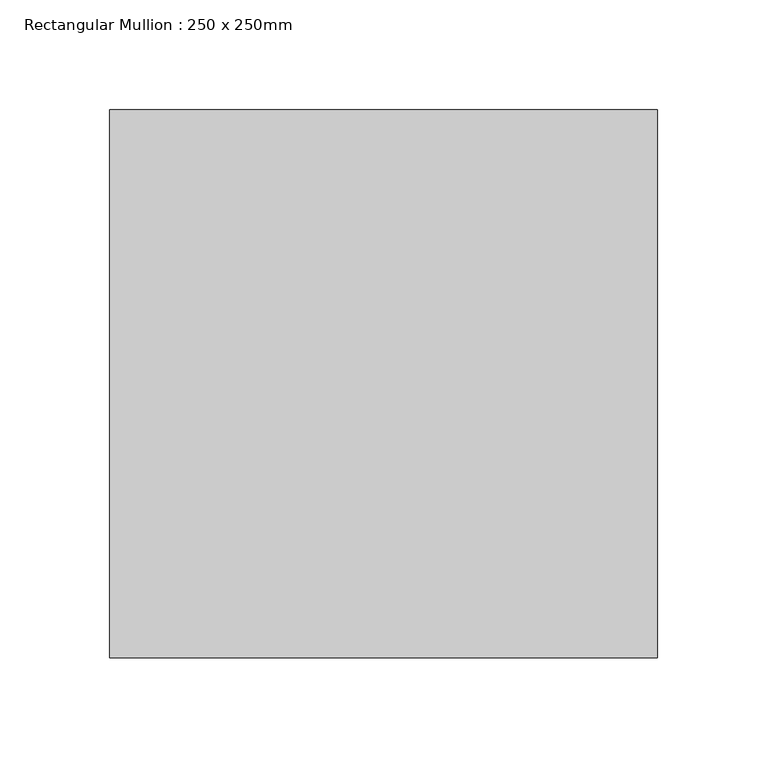
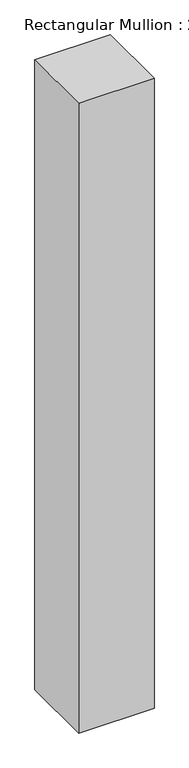
"""IFC4 building model written with IfcOpenShell, lengths in millimetres: member geometry, Rectangular Mullion : 250 x 250mm."""

import ifcopenshell
import ifcopenshell.guid

model = None  # the IFC model being written
_history = None  # IfcOwnerHistory: only IFC2X3 demands one
_inside = {}  # id of a spatial element -> (the spatial element, [elements in it])
_under = {}  # id of a project, library or spatial element -> (it, [spatial elements below it])
_declared = {}  # id of a project -> (the project, [libraries it declares])
_typed = {}  # id of a type object -> (the type object, [elements of that type])
_made_of = {}  # id of a material, layer set ... -> (it, [elements and type objects made of it])


def new_model(schema):
    """Start an empty IFC model of exactly this schema.

    Asked for "IFC4X3", IfcOpenShell would pick the latest addendum, in which some entities
    have other attributes; the version numbers below select the first issue.
    IFC2X3 requires an IfcOwnerHistory on every rooted entity: one is made here for all.
    """
    global model, _history
    if schema == "IFC4X3":
        model = ifcopenshell.file(schema_version=(4, 3, 0, 0))
    else:
        model = ifcopenshell.file(schema=schema)
    _inside.clear()
    _under.clear()
    _declared.clear()
    _typed.clear()
    _made_of.clear()
    _history = None
    if model.schema == "IFC2X3":
        org = make("IfcOrganization", Name="unknown")
        user = make(
            "IfcPersonAndOrganization",
            ThePerson=make("IfcPerson", FamilyName="unknown"),
            TheOrganization=org,
        )
        app = make(
            "IfcApplication",
            ApplicationDeveloper=org,
            Version="unknown",
            ApplicationFullName="unknown",
            ApplicationIdentifier="unknown",
        )
        _history = make(
            "IfcOwnerHistory",
            OwningUser=user,
            OwningApplication=app,
            ChangeAction="ADDED",
            CreationDate=0,
        )
    return model


def make(cls, **values):
    """One entity of the class cls with the attributes given. An attribute that is None is left unset."""
    return model.create_entity(
        cls, **{name: value for name, value in values.items() if value is not None}
    )


def rooted(cls, **values):
    """An entity with a GlobalId (a new one), such as an element, a storey or a relation."""
    return make(cls, GlobalId=ifcopenshell.guid.new(), OwnerHistory=_history, **values)


def si_unit(unit_type, name, prefix=None):
    """IfcSIUnit, for example si_unit("LENGTHUNIT", "METRE", prefix="MILLI")."""
    return make("IfcSIUnit", UnitType=unit_type, Prefix=prefix, Name=name)


def assignment(units):
    """IfcUnitAssignment: the units of a project."""
    return None if units is None else make("IfcUnitAssignment", Units=units)


def point(xyz):
    """IfcCartesianPoint."""
    return None if xyz is None else make("IfcCartesianPoint", Coordinates=xyz)


def direction(xyz):
    """IfcDirection."""
    return None if xyz is None else make("IfcDirection", DirectionRatios=xyz)


def frame(location, z_axis=None, x_axis=None):
    """IfcAxis2Placement3D, a coordinate frame: its origin and axes. An axis left out is left unset."""
    return make(
        "IfcAxis2Placement3D",
        Location=point(location),
        Axis=direction(z_axis),
        RefDirection=direction(x_axis),
    )


def origin():
    """The frame at (0, 0, 0) with its axes left unset."""
    return frame((0.0, 0.0, 0.0))


def place(relative_to, where):
    """IfcLocalPlacement: puts the frame where relative to a parent placement (None: the world)."""
    return make(
        "IfcLocalPlacement", PlacementRelTo=relative_to, RelativePlacement=where
    )


def context(
    kind, dimensions, precision=None, world=None, true_north=None, identifier=None
):
    """IfcGeometricRepresentationContext, for example the 3D "Model" context."""
    return make(
        "IfcGeometricRepresentationContext",
        ContextIdentifier=identifier,
        ContextType=kind,
        CoordinateSpaceDimension=dimensions,
        Precision=precision,
        WorldCoordinateSystem=world,
        TrueNorth=true_north,
    )


def project(units=None, contexts=None):
    """IfcProject with its units and contexts."""
    return rooted(
        "IfcProject",
        Name="project",
        RepresentationContexts=contexts,
        UnitsInContext=assignment(units),
    )


def spatial(cls, under=None, at=None, **own):
    """A site, building, storey or space (cls), placed at a placement, below another one or the project."""
    s = rooted(cls, ObjectPlacement=at, **own)
    if under is not None:
        _under.setdefault(under.id(), (under, []))[1].append(s)
    return s


def polyline(points):
    """IfcPolyline through the points."""
    return make("IfcPolyline", Points=[point(p) for p in points])


def outline(outer, holes=None, kind="AREA"):
    """IfcArbitraryClosedProfileDef: a profile drawn as a closed curve; with holes, ...WithVoids."""
    if holes is None:
        return make("IfcArbitraryClosedProfileDef", ProfileType=kind, OuterCurve=outer)
    return make(
        "IfcArbitraryProfileDefWithVoids",
        ProfileType=kind,
        OuterCurve=outer,
        InnerCurves=holes,
    )


def extrude(swept, where, along, depth):
    """IfcExtrudedAreaSolid: the profile swept, set in the frame where, extruded along a direction by depth."""
    return make(
        "IfcExtrudedAreaSolid",
        SweptArea=swept,
        Position=where,
        ExtrudedDirection=direction(along),
        Depth=depth,
    )


def shape(context_of_items, identifier, shape_type, items):
    """IfcShapeRepresentation: the items that make up one representation, for example the "Body"."""
    return make(
        "IfcShapeRepresentation",
        ContextOfItems=context_of_items,
        RepresentationIdentifier=identifier,
        RepresentationType=shape_type,
        Items=items,
    )


def source(mapping_origin, context_of_items, identifier, shape_type, items):
    """IfcRepresentationMap: a shape defined once, which mapped items show again and again."""
    return make(
        "IfcRepresentationMap",
        MappingOrigin=mapping_origin,
        MappedRepresentation=shape(context_of_items, identifier, shape_type, items),
    )


def transform(
    local_origin,
    x_axis=None,
    y_axis=None,
    z_axis=None,
    scale=None,
    scale2=None,
    scale3=None,
    uniform=True,
):
    """IfcCartesianTransformationOperator3D, or its non-uniform kind. x_axis, y_axis, z_axis: its Axis1, 2, 3."""
    if uniform:
        return make(
            "IfcCartesianTransformationOperator3D",
            Axis1=direction(x_axis),
            Axis2=direction(y_axis),
            LocalOrigin=point(local_origin),
            Scale=scale,
            Axis3=direction(z_axis),
        )
    return make(
        "IfcCartesianTransformationOperator3DnonUniform",
        Axis1=direction(x_axis),
        Axis2=direction(y_axis),
        LocalOrigin=point(local_origin),
        Scale=scale,
        Axis3=direction(z_axis),
        Scale2=scale2,
        Scale3=scale3,
    )


def mapped(mapping_source, mapping_target):
    """IfcMappedItem: shows the shape of a source again, moved by a transform."""
    return make(
        "IfcMappedItem", MappingSource=mapping_source, MappingTarget=mapping_target
    )


def made_of(thing, what):
    """Note that an element or type object is made of a material, layer set ...; save() writes the relation."""
    if what is not None:
        _made_of.setdefault(what.id(), (what, []))[1].append(thing)
    return thing


def element(
    cls,
    number,
    at=None,
    inside=None,
    cuts=None,
    type_object=None,
    material=None,
    context=None,
    identifier="Body",
    shape_type=None,
    held_by="IfcProductDefinitionShape",
    body=None,
    shapes=None,
    **own,
):
    """One element of the class cls, such as IfcWall. Its Tag is "e" and its number.

    at: its placement. inside: the storey or other place that contains it. cuts: it is an
    opening in that element (IfcRelVoidsElement). A single representation is given by context,
    identifier, shape_type and body (its items); several are given by shapes. held_by: the class
    of the entity that holds the representations. save() writes the other relations.
    """
    e = rooted(cls, Tag="e%d" % number, ObjectPlacement=at, **own)
    if body is not None:
        shapes = [shape(context, identifier, shape_type, body)]
    if shapes is not None:
        e.Representation = make(held_by, Representations=shapes)
    if inside is not None:
        _inside.setdefault(inside.id(), (inside, []))[1].append(e)
    if cuts is not None:
        rooted(
            "IfcRelVoidsElement", RelatingBuildingElement=cuts, RelatedOpeningElement=e
        )
    if type_object is not None:
        _typed.setdefault(type_object.id(), (type_object, []))[1].append(e)
    return made_of(e, material)


def aggregate(whole, parts):
    """IfcRelAggregates: a whole, such as a stair, and the parts it consists of."""
    return rooted("IfcRelAggregates", RelatingObject=whole, RelatedObjects=parts)


def save(model, path):
    """Write the relations noted so far, then the file.

    IfcRelAggregates (storeys below a building ...), IfcRelContainedInSpatialStructure (elements
    in a storey), IfcRelDefinesByType, IfcRelAssociatesMaterial and IfcRelDeclares: one each for
    every whole, place, type object, material and project.
    """
    for whole, parts in _under.values():
        aggregate(whole, parts)
    for where, things in _inside.values():
        rooted(
            "IfcRelContainedInSpatialStructure",
            RelatedElements=things,
            RelatingStructure=where,
        )
    for kind, things in _typed.values():
        rooted("IfcRelDefinesByType", RelatedObjects=things, RelatingType=kind)
    for what, things in _made_of.values():
        rooted("IfcRelAssociatesMaterial", RelatedObjects=things, RelatingMaterial=what)
    for by, libraries in _declared.values():
        rooted("IfcRelDeclares", RelatingContext=by, RelatedDefinitions=libraries)
    model.write(path)


def rectangular_mullion_250_x_250mm_2a820957(model_context):
    return source(origin(), model_context, "Body", "SweptSolid", [
        extrude(outline(polyline([(0.0, 125.0), (0.0, -125.0), (-250.0, -125.0), (-250.0, 125.0), (0.0, 125.0)])), frame((0.0, 0.0, -2204.4450423), z_axis=(0.0, 0.0, 1.0), x_axis=(1.0, 0.0, 0.0)), (0.0, 0.0, 1.0), 2204.4450423),
    ])


if __name__ == "__main__":
    model = new_model("IFC4")
    model_context = context("Model", 3, world=origin())
    ifc_project = project(units=[si_unit("LENGTHUNIT", "METRE", prefix="MILLI")], contexts=[model_context])
    site = spatial("IfcSite", under=ifc_project)
    building = spatial("IfcBuilding", under=site)
    placement = place(None, origin())
    rectangular_mullion_250_x_250mm_shape = rectangular_mullion_250_x_250mm_2a820957(model_context)
    element("IfcMember", 1, ObjectType="Rectangular Mullion : 250 x 250mm", at=placement, inside=building, context=model_context, shape_type="MappedRepresentation", body=[
        mapped(rectangular_mullion_250_x_250mm_shape, transform((0.0, 0.0, 0.0), x_axis=(1.0, 0.0, 0.0), y_axis=(0.0, 1.0, 0.0), z_axis=(0.0, 0.0, 1.0))),
    ])
    save(model, "model.ifc")
